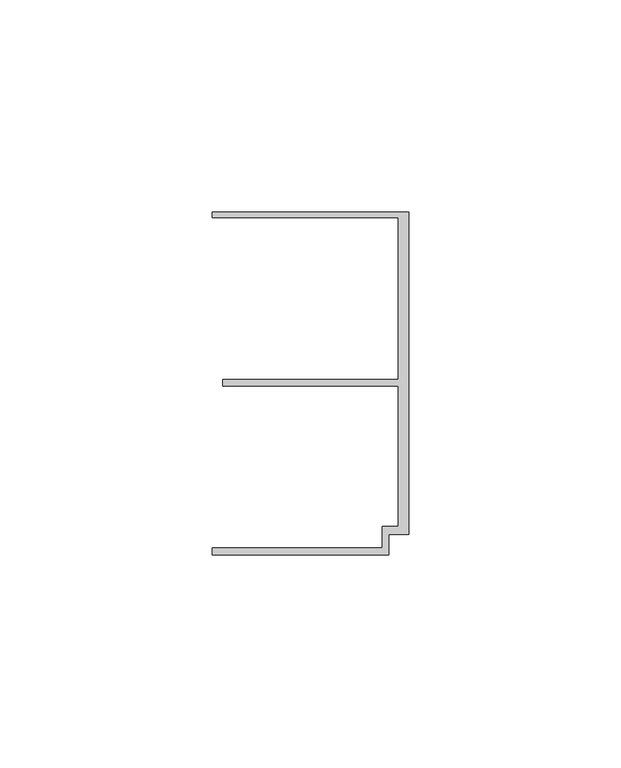
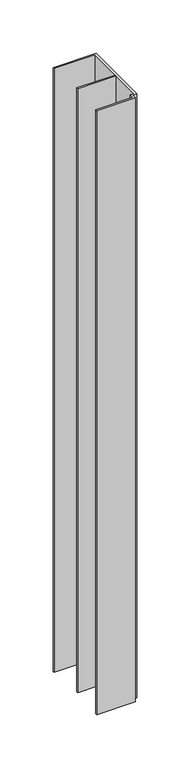
"""IFC4 building model written with IfcOpenShell, lengths in millimetres: member geometry."""

from ifc_helpers import new_model, si_unit, frame, origin, place, context, project, spatial, polyline, outline, extrude, source, transform, mapped, element, save


def member_bd0f63d5(model_context):
    return source(origin(), model_context, "Body", "SweptSolid", [
        extrude(outline(polyline([(-6.2, -33.95), (-2.4, -33.95), (-2.4, -0.75), (-43.8, -0.75), (-43.8, 0.75), (-2.4, 0.75), (-2.4, 38.95), (-46.3, 38.95), (-46.3, 40.25), (0.0, 40.25), (0.0, -35.75), (-4.6999992, -35.75), (-4.6999992, -40.65), (-46.3, -40.65), (-46.3, -38.95), (-6.2, -38.95), (-6.2, -33.95)])), frame((0.0, 0.0, -690.0), z_axis=(0.0, 0.0, 1.0), x_axis=(1.0, 0.0, 0.0)), (0.0, 0.0, 1.0), 690.0),
    ])


if __name__ == "__main__":
    model = new_model("IFC4")
    model_context = context("Model", 3, world=origin())
    ifc_project = project(units=[si_unit("LENGTHUNIT", "METRE", prefix="MILLI")], contexts=[model_context])
    site = spatial("IfcSite", under=ifc_project)
    building = spatial("IfcBuilding", under=site)
    placement = place(None, origin())
    member_shape = member_bd0f63d5(model_context)
    element("IfcMember", 1, at=placement, inside=building, context=model_context, shape_type="MappedRepresentation", body=[
        mapped(member_shape, transform((0.0, 0.0, 0.0), x_axis=(1.0, 0.0, 0.0), y_axis=(0.0, 1.0, 0.0), z_axis=(0.0, 0.0, 1.0))),
    ])
    save(model, "model.ifc")
